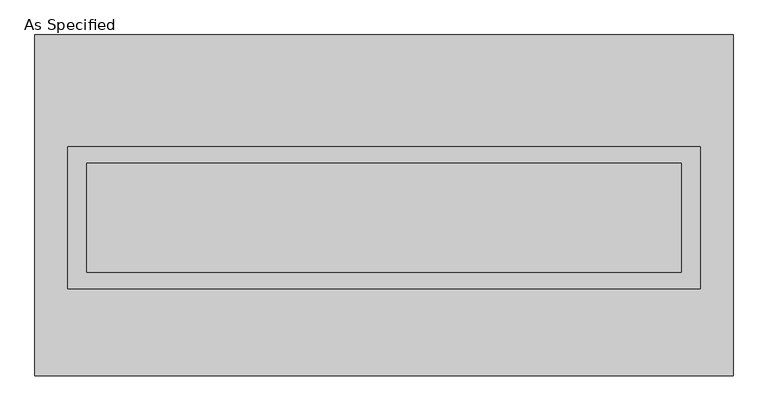
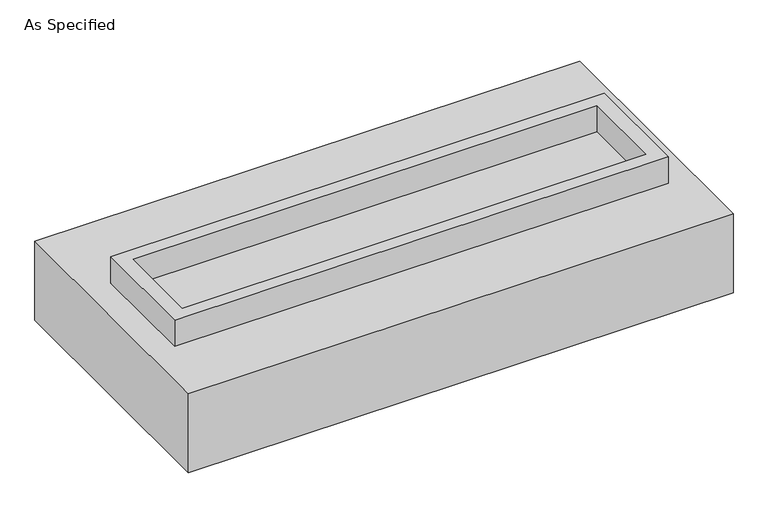
"""IFC4 building model written with IfcOpenShell, lengths in millimetres: proxy geometry, As Specified."""

from ifc_helpers import new_model, si_unit, frame, origin, place, context, project, spatial, polyline, outline, extrude, faceted_brep, source, transform, mapped, element, save


def as_specified_e9bbab3b(model_context):
    return source(origin(), model_context, "Body", "SolidModel", [
        extrude(outline(polyline([(1473.2, 273.05), (1473.2, -387.35), (-1473.2, -387.35), (-1473.2, 273.05), (1473.2, 273.05)]), holes=[polyline([(1384.3, 196.85), (-1384.3, 196.85), (-1384.3, -311.15), (1384.3, -311.15), (1384.3, 196.85)])]), frame((0.0, 0.0, -25.4), z_axis=(0.0, 0.0, 1.0), x_axis=(1.0, 0.0, 0.0)), (0.0, 0.0, 1.0), 165.1),
        extrude(outline(polyline([(1384.3, 196.85), (1384.3, -311.15), (-1384.3, -311.15), (-1384.3, 196.85), (1384.3, 196.85)])), frame((0.0, 0.0, -30.3609375), z_axis=(0.0, 0.0, 1.0), x_axis=(1.0, 0.0, 0.0)), (0.0, 0.0, 1.0), 4.9609375),
        faceted_brep([(1625.6, -793.75, -523.875), (-1625.6, -793.75, -523.875), (-1625.6, 793.75, -523.875), (1625.6, 793.75, -523.875), (1625.6, 793.75, -25.4), (-1625.6, 793.75, -25.4), (-1625.6, -793.75, -25.4), (1625.6, -793.75, -25.4), (1473.2, 273.05, -25.4), (1473.2, -387.35, -25.4), (-1473.2, -387.35, -25.4), (-1473.2, 273.05, -25.4), (1473.2, 273.05, -498.475), (-1473.2, 273.05, -498.475), (-1473.2, -387.35, -498.475), (1473.2, -387.35, -498.475)], [[[0, 1, 2, 3]], [[4, 5, 6, 7], [8, 9, 10, 11]], [[3, 2, 5, 4]], [[2, 1, 6, 5]], [[0, 3, 4, 7]], [[12, 13, 14, 15]], [[14, 13, 11, 10]], [[13, 12, 8, 11]], [[12, 15, 9, 8]], [[10, 9, 15, 14]], [[1, 0, 7, 6]]]),
    ])


if __name__ == "__main__":
    model = new_model("IFC4")
    model_context = context("Model", 3, world=origin())
    ifc_project = project(units=[si_unit("LENGTHUNIT", "METRE", prefix="MILLI")], contexts=[model_context])
    site = spatial("IfcSite", under=ifc_project)
    building = spatial("IfcBuilding", under=site)
    placement = place(None, origin())
    as_specified_shape = as_specified_e9bbab3b(model_context)
    element("IfcBuildingElementProxy", 1, Name="As Specified", ObjectType="As Specified", at=placement, inside=building, context=model_context, shape_type="MappedRepresentation", body=[
        mapped(as_specified_shape, transform((0.0, 0.0, 0.0), x_axis=(1.0, 0.0, 0.0), y_axis=(0.0, 1.0, 0.0), z_axis=(0.0, 0.0, 1.0))),
    ])
    save(model, "model.ifc")
